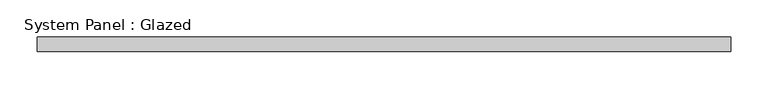
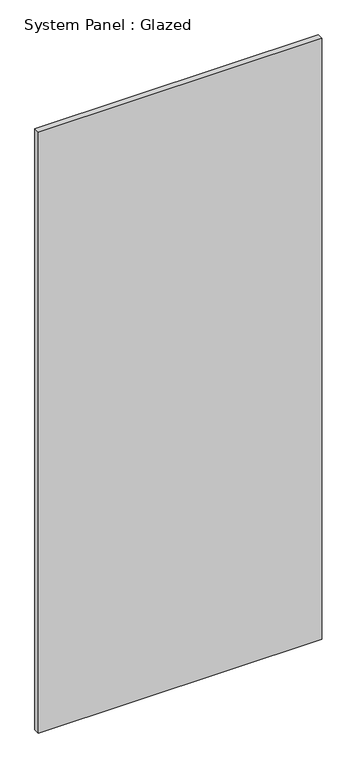
"""IFC4 building model written with IfcOpenShell, lengths in millimetres: plate geometry, System Panel : Glazed."""

from ifc_helpers import new_model, si_unit, origin, origin_with_axes, place, context, project, spatial, polyline, outline, extrude, source, transform, mapped, element, save


def system_panel_glazed_6832303c(model_context):
    return source(origin(), model_context, "Body", "SweptSolid", [
        extrude(outline(polyline([(468.2789745, 90.0), (-468.2789745, 90.0), (-468.2789745, 110.0), (468.2789745, 110.0), (468.2789745, 90.0)])), origin_with_axes(), (0.0, 0.0, 1.0), 2100.0),
    ])


if __name__ == "__main__":
    model = new_model("IFC4")
    model_context = context("Model", 3, world=origin())
    ifc_project = project(units=[si_unit("LENGTHUNIT", "METRE", prefix="MILLI")], contexts=[model_context])
    site = spatial("IfcSite", under=ifc_project)
    building = spatial("IfcBuilding", under=site)
    placement = place(None, origin())
    system_panel_glazed_shape = system_panel_glazed_6832303c(model_context)
    element("IfcPlate", 1, ObjectType="System Panel : Glazed", at=placement, inside=building, context=model_context, shape_type="MappedRepresentation", body=[
        mapped(system_panel_glazed_shape, transform((0.0, 0.0, 0.0), x_axis=(1.0, 0.0, 0.0), y_axis=(0.0, 1.0, 0.0), z_axis=(0.0, 0.0, 1.0))),
    ])
    save(model, "model.ifc")
